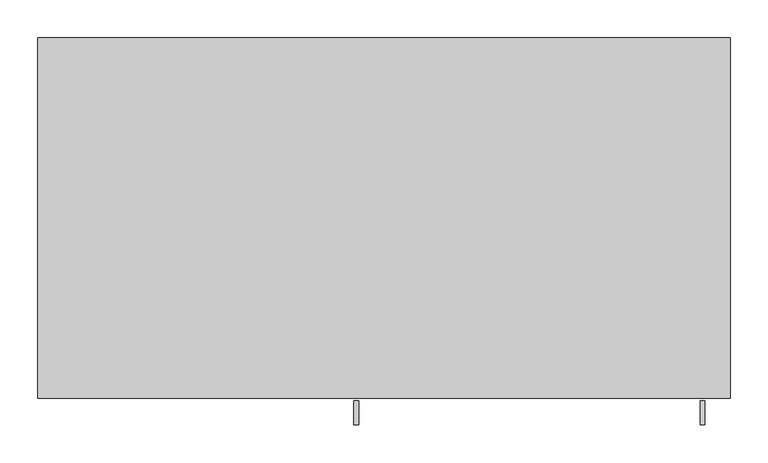
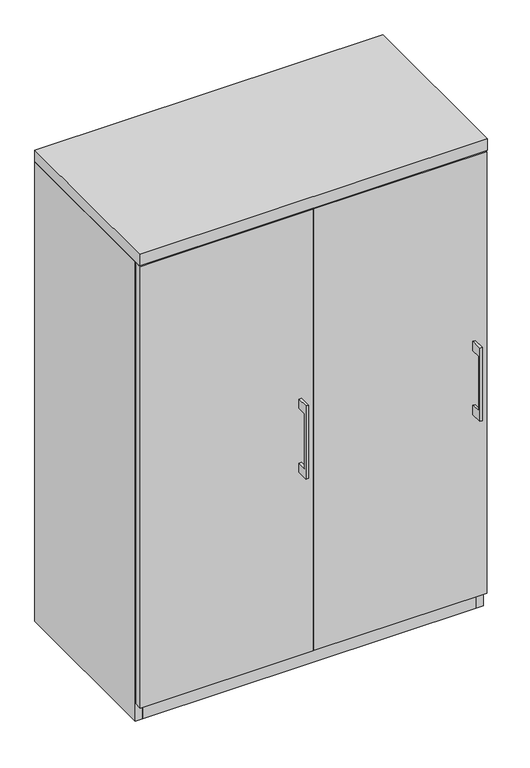
"""IFC4 building model written with IfcOpenShell, lengths in millimetres: furniture geometry."""

from ifc_helpers import new_model, si_unit, frame, origin, origin_with_axes, place, context, project, spatial, polyline, outline, extrude, source, transform, mapped, element, save


def furniture_056354dc(model_context):
    return source(origin(), model_context, "Body", "SweptSolid", [
        extrude(outline(polyline([(-479.425, 736.6), (-504.8249758, 736.6), (-504.8249758, 584.2), (-479.425, 584.2), (-479.425, 558.8), (-511.1749879, 558.8), (-511.1749879, 762.0), (-479.425, 762.0), (-479.425, 736.6)])), frame((417.5125121, 0.0, 0.0), z_axis=(1.0, 0.0, 0.0), x_axis=(0.0, 1.0, 0.0)), (0.0, 0.0, 1.0), 6.3499758),
        extrude(outline(polyline([(455.6125, -476.25), (1.5875, -476.25), (1.5875, -457.2), (455.6125, -457.2), (455.6125, -476.25)])), frame((0.0, 0.0, 47.625), z_axis=(0.0, 0.0, 1.0), x_axis=(1.0, 0.0, 0.0)), (0.0, 0.0, 1.0), 1225.55),
        extrude(outline(polyline([(-479.425, 736.6), (-504.8249758, 736.6), (-504.8249758, 584.2), (-479.425, 584.2), (-479.425, 558.8), (-511.1749879, 558.8), (-511.1749879, 762.0), (-479.425, 762.0), (-479.425, 736.6)])), frame((-39.6874879, 0.0, 0.0), z_axis=(1.0, 0.0, 0.0), x_axis=(0.0, 1.0, 0.0)), (0.0, 0.0, 1.0), 6.3499758),
        extrude(outline(polyline([(-1.5875, -476.25), (-455.6125, -476.25), (-455.6125, -457.2), (-1.5875, -457.2), (-1.5875, -476.25)])), frame((0.0, 0.0, 47.625), z_axis=(0.0, 0.0, 1.0), x_axis=(1.0, 0.0, 0.0)), (0.0, 0.0, 1.0), 1225.55),
        extrude(outline(polyline([(9.525, -19.05), (9.525, -457.2), (-9.525, -457.2), (-9.525, -19.05), (9.525, -19.05)])), frame((0.0, 0.0, 47.625), z_axis=(0.0, 0.0, 1.0), x_axis=(1.0, 0.0, 0.0)), (0.0, 0.0, 1.0), 1228.725),
        extrude(outline(polyline([(438.15, -19.05), (438.15, -457.2), (-438.15, -457.2), (-438.15, -19.05), (438.15, -19.05)])), origin_with_axes(), (0.0, 0.0, 1.0), 47.625),
        extrude(outline(polyline([(457.2, 0.0), (457.2, -476.25), (-457.2, -476.25), (-457.2, 0.0), (457.2, 0.0)])), frame((0.0, 0.0, 1276.35), z_axis=(0.0, 0.0, 1.0), x_axis=(1.0, 0.0, 0.0)), (0.0, 0.0, 1.0), 31.75),
        extrude(outline(polyline([(457.2, 0.0), (457.2, -457.2), (438.15, -457.2), (438.15, -19.05), (-438.15, -19.05), (-438.15, -457.2), (-457.2, -457.2), (-457.2, 0.0), (457.2, 0.0)])), origin_with_axes(), (0.0, 0.0, 1.0), 1276.35),
    ])


if __name__ == "__main__":
    model = new_model("IFC4")
    model_context = context("Model", 3, world=origin())
    ifc_project = project(units=[si_unit("LENGTHUNIT", "METRE", prefix="MILLI")], contexts=[model_context])
    site = spatial("IfcSite", under=ifc_project)
    building = spatial("IfcBuilding", under=site)
    placement = place(None, origin())
    furniture_shape = furniture_056354dc(model_context)
    element("IfcFurniture", 1, at=placement, inside=building, context=model_context, shape_type="MappedRepresentation", body=[
        mapped(furniture_shape, transform((0.0, 0.0, 0.0), x_axis=(1.0, 0.0, 0.0), y_axis=(0.0, 1.0, 0.0), z_axis=(0.0, 0.0, 1.0))),
    ])
    save(model, "model.ifc")
